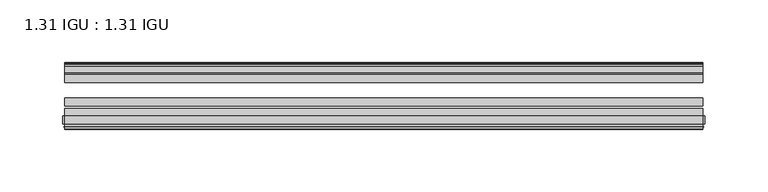
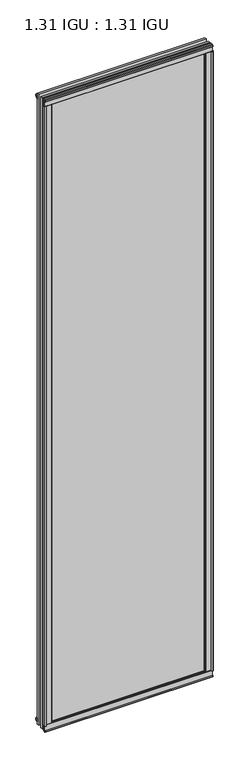
"""IFC4 building model written with IfcOpenShell, lengths in millimetres: plate geometry, 1.31 IGU : 1.31 IGU."""

from ifc_helpers import new_model, si_unit, point, frame, frame_2d, origin, origin_with_axes, place, context, project, spatial, polyline, circle_curve, trimmed, segment, composite_curve, outline, extrude, source, transform, mapped, element, save


def plate_1_31_igu_1_31_igu_d2116d2d(model_context):
    return source(origin(), model_context, "Body", "SweptSolid", [
        extrude(outline(polyline([(242.3648568, -11.1943457), (240.9628235, -11.5700195), (240.7327333, -10.7113114), (243.1457333, -10.06475), (245.5587333, -10.7113114), (245.3286432, -11.5700195), (243.9266098, -11.1943457), (244.5427333, -13.49375), (248.2213074, -13.49375), (248.2213074, -18.1284104), (246.7926628, -19.84375), (235.0799921, -19.84375), (236.7957333, -13.49375), (241.7487333, -13.49375), (242.3648568, -11.1943457)])), origin_with_axes(), (0.0, 0.0, 1.0), 1993.9),
        extrude(outline(polyline([(-242.3648568, -11.1943457), (-241.7487333, -13.49375), (-236.7957333, -13.49375), (-235.0799921, -19.84375), (-246.7926628, -19.84375), (-248.2213074, -18.1284104), (-248.2213074, -13.49375), (-244.5427333, -13.49375), (-243.9266098, -11.1943457), (-245.3286432, -11.5700195), (-245.5587333, -10.7113114), (-243.1457333, -10.06475), (-240.7327333, -10.7113114), (-240.9628235, -11.5700195), (-242.3648568, -11.1943457)])), origin_with_axes(), (0.0, 0.0, 1.0), 1993.9),
        extrude(outline(polyline([(-13.49375, -5.7276998), (-11.1943457, -6.3438233), (-11.5700195, -4.9417899), (-10.7113114, -4.7116998), (-10.06475, -7.1246998), (-10.7113114, -9.5376998), (-11.5700195, -9.3076097), (-11.1943457, -7.9055763), (-13.49375, -8.5216998), (-13.49375, -12.2002739), (-18.1284104, -12.2002739), (-19.84375, -10.7716292), (-19.84375, 0.9410414), (-13.49375, -0.7746998), (-13.49375, -5.7276998)])), frame((-255.0583333, 0.0, 0.0), z_axis=(1.0, 0.0, 0.0), x_axis=(0.0, 1.0, 0.0)), (0.0, 0.0, 1.0), 510.1166667),
        extrude(outline(composite_curve([segment(polyline([(-55.9719113, 2.457708), (-53.16855, 3.0868452), (-53.16855, -20.9097918), (-59.51855, -20.9097918), (-59.51855, -18.6868471), (-62.0391488, -18.0752025), (-61.5965021, -19.0933159), (-61.5965021, -19.98942), (-63.2729251, -17.4063265), (-61.3290281, -15.2058028), (-61.3290281, -16.0360741), (-61.9417436, -16.9618553), (-59.51855, -16.8077164), (-59.51855, 0.6826418)]), True, "CONTINUOUS"), segment(trimmed(circle_curve(frame_2d((-58.24855, 0.6826418)), 1.27), [point((-59.51855, 0.6826418))], [point((-58.6007815, 1.9028193))], False, "CARTESIAN"), True, "CONTINUOUS"), segment(polyline([(-58.6007815, 1.9028193), (-55.9719113, 2.457708)]), True, "CONTINUOUS")], self_intersect=False)), frame((-255.0583333, 0.0, 0.0), z_axis=(1.0, 0.0, 0.0), x_axis=(0.0, 1.0, 0.0)), (0.0, 0.0, 1.0), 510.1166667),
        extrude(outline(polyline([(-13.49375, 1999.6276998), (-13.49375, 1994.6746998), (-19.84375, 1992.9589586), (-19.84375, 2004.6716292), (-18.1284104, 2006.1002739), (-13.49375, 2006.1002739), (-13.49375, 2002.4216998), (-11.1943457, 2001.8055763), (-11.5700195, 2003.2076097), (-10.7113114, 2003.4376998), (-10.06475, 2001.0246998), (-10.7113114, 1998.6116998), (-11.5700195, 1998.8417899), (-11.1943457, 2000.2438233), (-13.49375, 1999.6276998)])), frame((-255.0583333, 0.0, 0.0), z_axis=(1.0, 0.0, 0.0), x_axis=(0.0, 1.0, 0.0)), (0.0, 0.0, 1.0), 510.1166667),
        extrude(outline(composite_curve([segment(polyline([(-55.9719113, 1991.442292), (-58.6007815, 1991.9971807)]), True, "CONTINUOUS"), segment(trimmed(circle_curve(frame_2d((-58.24855, 1993.2173582)), 1.27), [point((-58.6007815, 1991.9971807))], [point((-59.51855, 1993.2173582))], False, "CARTESIAN"), True, "CONTINUOUS"), segment(polyline([(-59.51855, 1993.2173582), (-59.51855, 2010.7077164), (-61.9417436, 2010.8618553), (-61.3290281, 2009.9360741), (-61.3290281, 2009.1058028), (-63.2729251, 2011.3063265), (-61.5965021, 2013.88942), (-61.5965021, 2012.9933159), (-62.0391488, 2011.9752025), (-59.51855, 2012.5868471), (-59.51855, 2014.8097918), (-53.16855, 2014.8097918), (-53.16855, 1990.8131548), (-55.9719113, 1991.442292)]), True, "CONTINUOUS")], self_intersect=False)), frame((-255.0583333, 0.0, 0.0), z_axis=(1.0, 0.0, 0.0), x_axis=(0.0, 1.0, 0.0)), (0.0, 0.0, 1.0), 510.1166667),
        extrude(outline(composite_curve([segment(polyline([(-253.42736, -63.2729251), (-256.0104535, -61.5965021), (-255.1143494, -61.5965021), (-254.096236, -62.0391488), (-254.7078806, -59.51855), (-256.9308253, -59.51855), (-256.9308253, -53.16855), (-232.9341884, -53.16855), (-233.5633256, -55.9719113), (-234.1182143, -58.6007815)]), True, "CONTINUOUS"), segment(trimmed(circle_curve(frame_2d((-235.3383917, -58.24855)), 1.27), [point((-234.1182143, -58.6007815))], [point((-235.3383917, -59.51855))], False, "CARTESIAN"), True, "CONTINUOUS"), segment(polyline([(-235.3383917, -59.51855), (-252.82875, -59.51855), (-252.9828888, -61.9417436), (-252.0571076, -61.3290281), (-251.2455796, -61.3290281), (-253.42736, -63.2729251)]), True, "CONTINUOUS")], self_intersect=False)), origin_with_axes(), (0.0, 0.0, 1.0), 1993.9),
        extrude(outline(composite_curve([segment(polyline([(253.42736, -63.2729251), (251.2455796, -61.3290281), (252.0571076, -61.3290281), (252.9828888, -61.9417436), (252.82875, -59.51855), (235.3383917, -59.51855)]), True, "CONTINUOUS"), segment(trimmed(circle_curve(frame_2d((235.3383917, -58.24855)), 1.27), [point((235.3383917, -59.51855))], [point((234.1182143, -58.6007815))], False, "CARTESIAN"), True, "CONTINUOUS"), segment(polyline([(234.1182143, -58.6007815), (233.5633256, -55.9719113), (232.9341884, -53.16855), (256.9308253, -53.16855), (256.9308253, -59.51855), (254.7078806, -59.51855), (254.096236, -62.0391488), (255.1143494, -61.5965021), (256.0104535, -61.5965021), (253.42736, -63.2729251)]), True, "CONTINUOUS")], self_intersect=False)), origin_with_axes(), (0.0, 0.0, 1.0), 1993.9),
        extrude(outline(polyline([(255.0583333, -19.84375), (255.0583333, -26.14295), (-255.0583333, -26.14295), (-255.0583333, -19.84375), (255.0583333, -19.84375)])), frame((0.0, 0.0, -19.05), z_axis=(0.0, 0.0, 1.0), x_axis=(1.0, 0.0, 0.0)), (0.0, 0.0, 1.0), 2032.0),
        extrude(outline(polyline([(-255.0583333, -44.83735), (-255.0583333, -38.53815), (255.0583333, -38.53815), (255.0583333, -44.83735), (-255.0583333, -44.83735)])), frame((0.0, 0.0, -19.05), z_axis=(0.0, 0.0, 1.0), x_axis=(1.0, 0.0, 0.0)), (0.0, 0.0, 1.0), 2032.0),
        extrude(outline(polyline([(-255.0583333, -53.16855), (-255.0583333, -46.86935), (255.0583333, -46.86935), (255.0583333, -53.16855), (-255.0583333, -53.16855)])), frame((0.0, 0.0, -19.05), z_axis=(0.0, 0.0, 1.0), x_axis=(1.0, 0.0, 0.0)), (0.0, 0.0, 1.0), 2032.0),
    ])


if __name__ == "__main__":
    model = new_model("IFC4")
    model_context = context("Model", 3, world=origin())
    ifc_project = project(units=[si_unit("LENGTHUNIT", "METRE", prefix="MILLI")], contexts=[model_context])
    site = spatial("IfcSite", under=ifc_project)
    building = spatial("IfcBuilding", under=site)
    placement = place(None, origin())
    plate_1_31_igu_1_31_igu_shape = plate_1_31_igu_1_31_igu_d2116d2d(model_context)
    element("IfcPlate", 1, ObjectType="1.31 IGU : 1.31 IGU", at=placement, inside=building, context=model_context, shape_type="MappedRepresentation", body=[
        mapped(plate_1_31_igu_1_31_igu_shape, transform((0.0, 0.0, 0.0), x_axis=(1.0, 0.0, 0.0), y_axis=(0.0, 1.0, 0.0), z_axis=(0.0, 0.0, 1.0))),
    ])
    save(model, "model.ifc")
